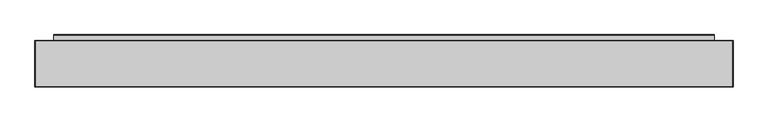
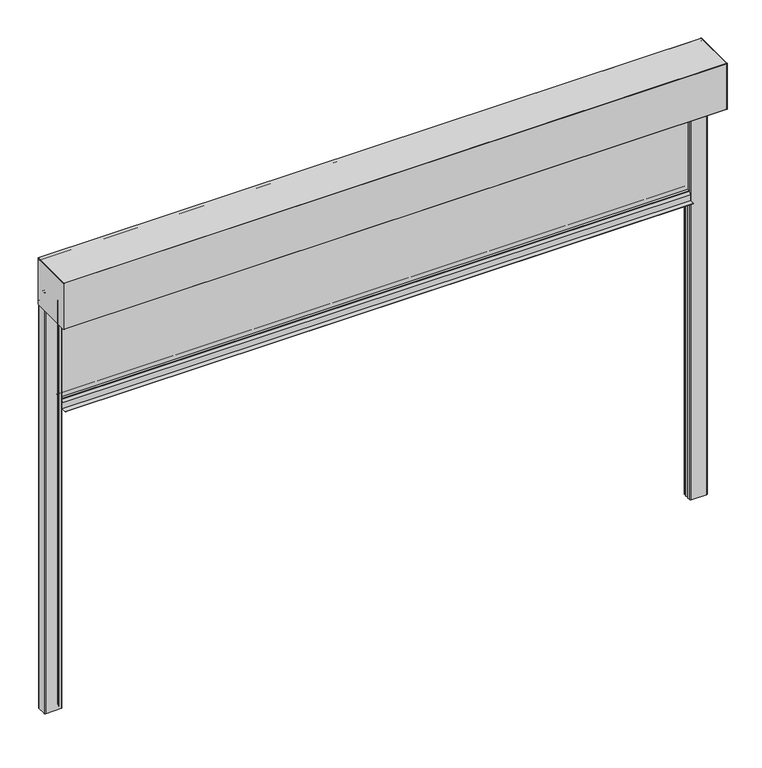
"""IFC4 building model written with IfcOpenShell, lengths in millimetres: alarm geometry."""

from ifc_helpers import new_model, si_unit, point, frame, frame_2d, origin, place, context, project, spatial, polyline, circle_curve, trimmed, segment, composite_curve, outline, extrude, source, transform, mapped, element, save
from ifc_brep_helpers import plane_surface, cylinder_surface, revolved_surface, advanced_brep


def alarm_61e4076c(model_context):
    return source(origin(), model_context, "Body", "SolidModel", [
        extrude(outline(composite_curve([segment(polyline([(32.3130377, -455.0), (67.6869623, -455.0)]), True, "CONTINUOUS"), segment(trimmed(circle_curve(frame_2d((67.6869623, -457.0)), 2.0), [point((67.6869623, -455.0))], [point((69.5220736, -456.2047851))], False, "CARTESIAN"), True, "CONTINUOUS"), segment(polyline([(69.5220736, -456.2047851), (75.5, -470.0), (75.5, -498.0), (98.5, -498.0)]), True, "CONTINUOUS"), segment(trimmed(circle_curve(frame_2d((98.5, -499.0)), 1.0), [point((98.5, -498.0))], [point((98.5, -500.0))], False, "CARTESIAN"), True, "CONTINUOUS"), segment(polyline([(98.5, -500.0), (1.5, -500.0)]), True, "CONTINUOUS"), segment(trimmed(circle_curve(frame_2d((1.5, -499.0)), 1.0), [point((1.5, -500.0))], [point((1.5, -498.0))], False, "CARTESIAN"), True, "CONTINUOUS"), segment(polyline([(1.5, -498.0), (24.5, -498.0), (24.5, -470.0), (30.4779264, -456.2047851)]), True, "CONTINUOUS"), segment(trimmed(circle_curve(frame_2d((32.3130377, -457.0)), 2.0), [point((30.4779264, -456.2047851))], [point((32.3130377, -455.0))], False, "CARTESIAN"), True, "CONTINUOUS")], self_intersect=False)), frame((-1420.0, 0.0, 0.0), z_axis=(1.0, 0.0, 0.0), x_axis=(0.0, 1.0, 0.0)), (0.0, 0.0, 1.0), 2840.0),
        extrude(outline(polyline([(1420.0, 42.5), (-1420.0, 42.5), (-1420.0, 57.5), (1420.0, 57.5), (1420.0, 42.5)])), frame((0.0, 0.0, -455.0), z_axis=(0.0, 0.0, 1.0), x_axis=(1.0, 0.0, 0.0)), (0.0, 0.0, 1.0), 465.0),
        extrude(outline(composite_curve([segment(polyline([(-125.0, 1.0), (-125.0, 219.0)]), True, "CONTINUOUS"), segment(trimmed(circle_curve(frame_2d((-124.0, 219.0)), 1.0), [point((-125.0, 219.0))], [point((-124.0, 220.0))], False, "CARTESIAN"), True, "CONTINUOUS"), segment(polyline([(-124.0, 220.0), (74.0, 220.0)]), True, "CONTINUOUS"), segment(trimmed(circle_curve(frame_2d((74.0, 219.0)), 1.0), [point((74.0, 220.0))], [point((75.0, 219.0))], False, "CARTESIAN"), True, "CONTINUOUS"), segment(polyline([(75.0, 219.0), (75.0, 1.5)]), True, "CONTINUOUS"), segment(trimmed(circle_curve(frame_2d((73.5, 1.5)), 1.5), [point((75.0, 1.5))], [point((73.5, 0.0))], False, "CARTESIAN"), True, "CONTINUOUS"), segment(polyline([(73.5, 0.0), (-124.0, 0.0)]), True, "CONTINUOUS"), segment(trimmed(circle_curve(frame_2d((-124.0, 1.0)), 1.0), [point((-124.0, 0.0))], [point((-125.0, 1.0))], False, "CARTESIAN"), True, "CONTINUOUS")], self_intersect=False)), frame((1500.0, 0.0, 0.0), z_axis=(1.0, 0.0, 0.0), x_axis=(0.0, 1.0, 0.0)), (0.0, 0.0, 1.0), 1.0),
        extrude(outline(composite_curve([segment(polyline([(-125.0, 1.0), (-125.0, 219.0)]), True, "CONTINUOUS"), segment(trimmed(circle_curve(frame_2d((-124.0, 219.0)), 1.0), [point((-125.0, 219.0))], [point((-124.0, 220.0))], False, "CARTESIAN"), True, "CONTINUOUS"), segment(polyline([(-124.0, 220.0), (74.0, 220.0)]), True, "CONTINUOUS"), segment(trimmed(circle_curve(frame_2d((74.0, 219.0)), 1.0), [point((74.0, 220.0))], [point((75.0, 219.0))], False, "CARTESIAN"), True, "CONTINUOUS"), segment(polyline([(75.0, 219.0), (75.0, 1.5)]), True, "CONTINUOUS"), segment(trimmed(circle_curve(frame_2d((73.5, 1.5)), 1.5), [point((75.0, 1.5))], [point((73.5, 0.0))], False, "CARTESIAN"), True, "CONTINUOUS"), segment(polyline([(73.5, 0.0), (-124.0, 0.0)]), True, "CONTINUOUS"), segment(trimmed(circle_curve(frame_2d((-124.0, 1.0)), 1.0), [point((-124.0, 0.0))], [point((-125.0, 1.0))], False, "CARTESIAN"), True, "CONTINUOUS")], self_intersect=False)), frame((-1501.0, 0.0, 0.0), z_axis=(1.0, 0.0, 0.0), x_axis=(0.0, 1.0, 0.0)), (0.0, 0.0, 1.0), 1.0),
        extrude(outline(composite_curve([segment(polyline([(1420.0, 30.0), (1420.0, 41.5)]), True, "CONTINUOUS"), segment(trimmed(circle_curve(frame_2d((1424.0, 41.5)), 4.0), [point((1420.0, 41.5))], [point((1427.7587705, 42.8680806))], False, "CARTESIAN"), True, "CONTINUOUS"), segment(polyline([(1427.7587705, 42.8680806), (1429.313694, 34.049671), (1427.3440785, 33.7023747), (1425.8248093, 42.3185788)]), True, "CONTINUOUS"), segment(trimmed(circle_curve(frame_2d((1424.0, 41.5)), 2.0), [point((1425.8248093, 42.3185788))], [point((1422.0, 41.5))], True, "CARTESIAN"), True, "CONTINUOUS"), segment(polyline([(1422.0, 41.5), (1422.0, 30.0)]), True, "CONTINUOUS"), segment(trimmed(circle_curve(frame_2d((1425.0, 30.0)), 3.0), [point((1422.0, 30.0))], [point((1425.0, 27.0))], True, "CARTESIAN"), True, "CONTINUOUS"), segment(polyline([(1425.0, 27.0), (1495.0, 27.0)]), True, "CONTINUOUS"), segment(trimmed(circle_curve(frame_2d((1495.0, 30.0)), 3.0), [point((1495.0, 27.0))], [point((1498.0, 30.0))], True, "CARTESIAN"), True, "CONTINUOUS"), segment(polyline([(1498.0, 30.0), (1498.0, 70.0)]), True, "CONTINUOUS"), segment(trimmed(circle_curve(frame_2d((1495.0, 70.0)), 3.0), [point((1498.0, 70.0))], [point((1495.0, 73.0))], True, "CARTESIAN"), True, "CONTINUOUS"), segment(polyline([(1495.0, 73.0), (1425.0, 73.0)]), True, "CONTINUOUS"), segment(trimmed(circle_curve(frame_2d((1425.0, 70.0)), 3.0), [point((1425.0, 73.0))], [point((1422.0, 70.0))], True, "CARTESIAN"), True, "CONTINUOUS"), segment(polyline([(1422.0, 70.0), (1422.0, 58.5)]), True, "CONTINUOUS"), segment(trimmed(circle_curve(frame_2d((1424.0, 58.5)), 2.0), [point((1422.0, 58.5))], [point((1425.8248093, 57.6814212))], True, "CARTESIAN"), True, "CONTINUOUS"), segment(polyline([(1425.8248093, 57.6814212), (1427.3440785, 66.2976253), (1429.313694, 65.950329), (1427.7587705, 57.1319194)]), True, "CONTINUOUS"), segment(trimmed(circle_curve(frame_2d((1424.0, 58.5)), 4.0), [point((1427.7587705, 57.1319194))], [point((1420.0, 58.5))], False, "CARTESIAN"), True, "CONTINUOUS"), segment(polyline([(1420.0, 58.5), (1420.0, 70.0)]), True, "CONTINUOUS"), segment(trimmed(circle_curve(frame_2d((1425.0, 70.0)), 5.0), [point((1420.0, 70.0))], [point((1425.0, 75.0))], False, "CARTESIAN"), True, "CONTINUOUS"), segment(polyline([(1425.0, 75.0), (1495.0, 75.0)]), True, "CONTINUOUS"), segment(trimmed(circle_curve(frame_2d((1495.0, 70.0)), 5.0), [point((1495.0, 75.0))], [point((1500.0, 70.0))], False, "CARTESIAN"), True, "CONTINUOUS"), segment(polyline([(1500.0, 70.0), (1500.0, 30.0)]), True, "CONTINUOUS"), segment(trimmed(circle_curve(frame_2d((1495.0, 30.0)), 5.0), [point((1500.0, 30.0))], [point((1495.0, 25.0))], False, "CARTESIAN"), True, "CONTINUOUS"), segment(polyline([(1495.0, 25.0), (1425.0, 25.0)]), True, "CONTINUOUS"), segment(trimmed(circle_curve(frame_2d((1425.0, 30.0)), 5.0), [point((1425.0, 25.0))], [point((1420.0, 30.0))], False, "CARTESIAN"), True, "CONTINUOUS")], self_intersect=False)), frame((0.0, 0.0, -1930.0), z_axis=(0.0, 0.0, 1.0), x_axis=(1.0, 0.0, 0.0)), (0.0, 0.0, 1.0), 1930.0),
        extrude(outline(composite_curve([segment(trimmed(circle_curve(frame_2d((-1425.0, 30.0)), 5.0), [point((-1420.0, 30.0))], [point((-1425.0, 25.0))], False, "CARTESIAN"), True, "CONTINUOUS"), segment(polyline([(-1425.0, 25.0), (-1495.0, 25.0)]), True, "CONTINUOUS"), segment(trimmed(circle_curve(frame_2d((-1495.0, 30.0)), 5.0), [point((-1495.0, 25.0))], [point((-1500.0, 30.0))], False, "CARTESIAN"), True, "CONTINUOUS"), segment(polyline([(-1500.0, 30.0), (-1500.0, 70.0)]), True, "CONTINUOUS"), segment(trimmed(circle_curve(frame_2d((-1495.0, 70.0)), 5.0), [point((-1500.0, 70.0))], [point((-1495.0, 75.0))], False, "CARTESIAN"), True, "CONTINUOUS"), segment(polyline([(-1495.0, 75.0), (-1425.0, 75.0)]), True, "CONTINUOUS"), segment(trimmed(circle_curve(frame_2d((-1425.0, 70.0)), 5.0), [point((-1425.0, 75.0))], [point((-1420.0, 70.0))], False, "CARTESIAN"), True, "CONTINUOUS"), segment(polyline([(-1420.0, 70.0), (-1420.0, 58.5)]), True, "CONTINUOUS"), segment(trimmed(circle_curve(frame_2d((-1424.0, 58.5)), 4.0), [point((-1420.0, 58.5))], [point((-1427.7587705, 57.1319194))], False, "CARTESIAN"), True, "CONTINUOUS"), segment(polyline([(-1427.7587705, 57.1319194), (-1429.313694, 65.950329), (-1427.3440785, 66.2976253), (-1425.8248093, 57.6814212)]), True, "CONTINUOUS"), segment(trimmed(circle_curve(frame_2d((-1424.0, 58.5)), 2.0), [point((-1425.8248093, 57.6814212))], [point((-1422.0, 58.5))], True, "CARTESIAN"), True, "CONTINUOUS"), segment(polyline([(-1422.0, 58.5), (-1422.0, 70.0)]), True, "CONTINUOUS"), segment(trimmed(circle_curve(frame_2d((-1425.0, 70.0)), 3.0), [point((-1422.0, 70.0))], [point((-1425.0, 73.0))], True, "CARTESIAN"), True, "CONTINUOUS"), segment(polyline([(-1425.0, 73.0), (-1495.0, 73.0)]), True, "CONTINUOUS"), segment(trimmed(circle_curve(frame_2d((-1495.0, 70.0)), 3.0), [point((-1495.0, 73.0))], [point((-1498.0, 70.0))], True, "CARTESIAN"), True, "CONTINUOUS"), segment(polyline([(-1498.0, 70.0), (-1498.0, 30.0)]), True, "CONTINUOUS"), segment(trimmed(circle_curve(frame_2d((-1495.0, 30.0)), 3.0), [point((-1498.0, 30.0))], [point((-1495.0, 27.0))], True, "CARTESIAN"), True, "CONTINUOUS"), segment(polyline([(-1495.0, 27.0), (-1425.0, 27.0)]), True, "CONTINUOUS"), segment(trimmed(circle_curve(frame_2d((-1425.0, 30.0)), 3.0), [point((-1425.0, 27.0))], [point((-1422.0, 30.0))], True, "CARTESIAN"), True, "CONTINUOUS"), segment(polyline([(-1422.0, 30.0), (-1422.0, 41.5)]), True, "CONTINUOUS"), segment(trimmed(circle_curve(frame_2d((-1424.0, 41.5)), 2.0), [point((-1422.0, 41.5))], [point((-1425.8248093, 42.3185788))], True, "CARTESIAN"), True, "CONTINUOUS"), segment(polyline([(-1425.8248093, 42.3185788), (-1427.3440785, 33.7023747), (-1429.313694, 34.049671), (-1427.7587705, 42.8680806)]), True, "CONTINUOUS"), segment(trimmed(circle_curve(frame_2d((-1424.0, 41.5)), 4.0), [point((-1427.7587705, 42.8680806))], [point((-1420.0, 41.5))], False, "CARTESIAN"), True, "CONTINUOUS"), segment(polyline([(-1420.0, 41.5), (-1420.0, 30.0)]), True, "CONTINUOUS")], self_intersect=False)), frame((0.0, 0.0, -1930.0), z_axis=(0.0, 0.0, 1.0), x_axis=(1.0, 0.0, 0.0)), (0.0, 0.0, 1.0), 1930.0),
        advanced_brep(
        [(1500.0, 74.0, 220.0), (1500.0, -124.0, 220.0), (1500.0, -125.0, 219.0), (1500.0, -125.0, 1.0), (1500.0, -124.0, 0.0), (1500.0, 2.5525627, 0.0), (1500.0, 3.5525627, 1.0), (1500.0, 3.5525627, 25.0), (1500.0, 40.2346421, 81.9173889), (1500.0, 38.5535205, 85.0008329), (1500.0, 27.0535205, 85.0007974), (1500.0, 27.1842634, 82.0065058), (1500.0, 33.6652134, 82.5735356), (1500.0, 33.5780546, 83.56973), (1500.0, 27.0971045, 83.0027002), (1500.0, 27.0535236, 84.0007974), (1500.0, 38.5575262, 84.0008329), (1500.0, 39.6503781, 82.8567866), (1500.0, 2.5525627, 25.2943249), (1500.0, 2.5525627, 4.9975685), (1500.0, -118.4990953, 4.9975685), (1500.0, -118.4990953, 210.0001942), (1500.0, -114.4991113, 214.0001783), (1500.0, 64.4999422, 214.0001783), (1500.0, 68.5003406, 209.9997799), (1500.0, 68.5003406, 32.9978598), (1500.0, 71.0003714, 32.9978598), (1500.0, 71.0003714, 19.9978095), (1500.0, 74.0003573, 19.9978095), (1500.0, 74.0003573, 1.3255837), (1500.0, 73.0249422, 1.1710911), (1500.0, 63.1362847, 31.6048165), (1500.0, 62.1852498, 31.2958032), (1500.0, 72.0225757, 1.0199506), (1500.0, 75.0, 1.5), (1500.0, 75.0, 219.0), (-1500.0, 74.0, 220.0), (-1500.0, 75.0, 219.0), (-1500.0, 75.0, 1.5), (-1500.0, 72.0734167, 1.03647), (-1500.0, 62.1852498, 31.2958032), (-1500.0, 63.1362847, 31.6048165), (-1500.0, 73.0249422, 1.1710911), (-1500.0, 74.0003573, 1.3255837), (-1500.0, 74.0003573, 19.9978095), (-1500.0, 71.0003714, 19.9978095), (-1500.0, 71.0003714, 32.9978598), (-1500.0, 68.5003406, 32.9978598), (-1500.0, 68.5003406, 209.9997799), (-1500.0, 64.4999422, 214.0001783), (-1500.0, -114.4991113, 214.0001783), (-1500.0, -118.4990953, 210.0001942), (-1500.0, -118.4990953, 4.9975685), (-1500.0, 2.5525627, 4.9975685), (-1500.0, 2.5525627, 25.2943249), (-1500.0, 39.6503781, 82.8567866), (-1500.0, 38.5575262, 84.0008329), (-1500.0, 27.0535236, 84.0007974), (-1500.0, 27.0971045, 83.0027002), (-1500.0, 33.5780546, 83.56973), (-1500.0, 33.6652134, 82.5735356), (-1500.0, 27.1842634, 82.0065058), (-1500.0, 27.0535205, 85.0007974), (-1500.0, 38.5535205, 85.0008329), (-1500.0, 40.2346421, 81.9173889), (-1500.0, 3.5525627, 25.0), (-1500.0, 3.5525627, 1.0), (-1500.0, 2.5525627, 0.0), (-1500.0, -124.0, 0.0), (-1500.0, -125.0, 1.0), (-1500.0, -125.0, 219.0), (-1500.0, -124.0, 220.0)],
        [
            (0, 1),
            (1, 2, circle_curve(frame((1500.0, -124.0, 219.0), z_axis=(1.0, 0.0, 0.0), x_axis=(0.0, 1.0, 0.0)), 1.0)),
            (2, 3),
            (3, 4, circle_curve(frame((1500.0, -124.0, 1.0), z_axis=(1.0, 0.0, 0.0), x_axis=(0.0, 1.0, 0.0)), 1.0)),
            (4, 5),
            (5, 6, circle_curve(frame((1500.0, 2.5525627, 1.0), z_axis=(1.0, 0.0, 0.0), x_axis=(0.0, 1.0, 0.0)), 1.0)),
            (6, 7),
            (7, 8),
            (8, 9, circle_curve(frame((1500.0, 38.5535267, 83.0008329), z_axis=(1.0, 0.0, 0.0), x_axis=(0.0, 1.0, 0.0)), 2.0)),
            (9, 10),
            (10, 11, circle_curve(frame((1500.0, 27.0535251, 83.5007974), z_axis=(1.0, 0.0, 0.0), x_axis=(0.0, 1.0, 0.0)), 1.5)),
            (11, 12),
            (12, 13),
            (13, 14),
            (14, 15, circle_curve(frame((1500.0, 27.0535251, 83.5007974), z_axis=(-1.0, 0.0, 0.0), x_axis=(0.0, 1.0, 0.0)), 0.5)),
            (15, 16),
            (16, 17, circle_curve(frame((1500.0, 38.5575296, 82.9068388), z_axis=(-1.0, 0.0, 0.0), x_axis=(0.0, 1.0, 0.0)), 1.0939941)),
            (17, 18),
            (18, 19),
            (19, 20),
            (20, 21),
            (21, 22, circle_curve(frame((1500.0, -114.4991113, 210.0001942), z_axis=(-1.0, 0.0, 0.0), x_axis=(0.0, 1.0, 0.0)), 3.9999841)),
            (22, 23),
            (23, 24, circle_curve(frame((1500.0, 64.4999422, 209.9997799), z_axis=(-1.0, 0.0, 0.0), x_axis=(0.0, 1.0, 0.0)), 4.0003984)),
            (24, 25),
            (25, 26),
            (26, 27),
            (27, 28),
            (28, 29),
            (29, 30, circle_curve(frame((1500.0, 73.500415, 1.3255837), z_axis=(-1.0, 0.0, 0.0), x_axis=(0.0, 1.0, 0.0)), 0.4999423)),
            (30, 31),
            (31, 32),
            (32, 33),
            (33, 34, circle_curve(frame((1500.0, 73.5, 1.5), z_axis=(1.0, 0.0, 0.0), x_axis=(0.0, 1.0, 0.0)), 1.5)),
            (34, 35),
            (35, 0, circle_curve(frame((1500.0, 74.0, 219.0), z_axis=(1.0, 0.0, 0.0), x_axis=(0.0, 1.0, 0.0)), 1.0)),
            (36, 37, circle_curve(frame((-1500.0, 74.0, 219.0), z_axis=(-1.0, 0.0, 0.0), x_axis=(0.0, 1.0, 0.0)), 1.0)),
            (37, 38),
            (38, 39, circle_curve(frame((-1500.0, 73.5, 1.5), z_axis=(-1.0, 0.0, 0.0), x_axis=(0.0, 1.0, 0.0)), 1.5)),
            (39, 40),
            (40, 41),
            (41, 42),
            (42, 43, circle_curve(frame((-1500.0, 73.500415, 1.3255837), z_axis=(1.0, 0.0, 0.0), x_axis=(0.0, 1.0, 0.0)), 0.4999423)),
            (43, 44),
            (44, 45),
            (45, 46),
            (46, 47),
            (47, 48),
            (48, 49, circle_curve(frame((-1500.0, 64.4999422, 209.9997799), z_axis=(1.0, 0.0, 0.0), x_axis=(0.0, 1.0, 0.0)), 4.0003984)),
            (49, 50),
            (50, 51, circle_curve(frame((-1500.0, -114.4991113, 210.0001942), z_axis=(1.0, 0.0, 0.0), x_axis=(0.0, 1.0, 0.0)), 3.9999841)),
            (51, 52),
            (52, 53),
            (53, 54),
            (54, 55),
            (55, 56, circle_curve(frame((-1500.0, 38.5575296, 82.9068388), z_axis=(1.0, 0.0, 0.0), x_axis=(0.0, 1.0, 0.0)), 1.0939941)),
            (56, 57),
            (57, 58, circle_curve(frame((-1500.0, 27.0535251, 83.5007974), z_axis=(1.0, 0.0, 0.0), x_axis=(0.0, 1.0, 0.0)), 0.5)),
            (58, 59),
            (59, 60),
            (60, 61),
            (61, 62, circle_curve(frame((-1500.0, 27.0535251, 83.5007974), z_axis=(-1.0, 0.0, 0.0), x_axis=(0.0, 1.0, 0.0)), 1.5)),
            (62, 63),
            (63, 64, circle_curve(frame((-1500.0, 38.5535267, 83.0008329), z_axis=(-1.0, 0.0, 0.0), x_axis=(0.0, 1.0, 0.0)), 2.0)),
            (64, 65),
            (65, 66),
            (66, 67, circle_curve(frame((-1500.0, 2.5525627, 1.0), z_axis=(-1.0, 0.0, 0.0), x_axis=(0.0, 1.0, 0.0)), 1.0)),
            (67, 68),
            (68, 69, circle_curve(frame((-1500.0, -124.0, 1.0), z_axis=(-1.0, 0.0, 0.0), x_axis=(0.0, 1.0, 0.0)), 1.0)),
            (69, 70),
            (70, 71, circle_curve(frame((-1500.0, -124.0, 219.0), z_axis=(-1.0, 0.0, 0.0), x_axis=(0.0, 1.0, 0.0)), 1.0)),
            (71, 36),
            (0, 36),
            (71, 1),
            (70, 2),
            (69, 3),
            (68, 4),
            (67, 5),
            (19, 53),
            (52, 20),
            (51, 21),
            (50, 22),
            (49, 23),
            (48, 24),
            (47, 25),
            (46, 26),
            (45, 27),
            (44, 28),
            (43, 29),
            (42, 30),
            (41, 31),
            (40, 32),
            (39, 33),
            (38, 34),
            (37, 35),
            (66, 6),
            (65, 7),
            (64, 8),
            (63, 9),
            (62, 10),
            (61, 11),
            (60, 12),
            (59, 13),
            (58, 14),
            (57, 15),
            (56, 16),
            (55, 17),
            (54, 18),
        ],
        [
            plane_surface(frame((1500.0, -124.0, 220.0), z_axis=(1.0, 0.0, 0.0), x_axis=(0.0, -1.0, 0.0))),
            plane_surface(frame((-1500.0, -124.0, 220.0), z_axis=(-1.0, 0.0, 0.0), x_axis=(0.0, 1.0, 0.0))),
            plane_surface(frame((1500.0, 74.0, 220.0), z_axis=(0.0, 0.0, 1.0), x_axis=(-1.0, 0.0, 0.0))),
            cylinder_surface(frame((-1500.0, -124.0, 219.0), z_axis=(1.0, 0.0, 0.0), x_axis=(0.0, 1.0, 0.0)), 1.0),
            plane_surface(frame((1500.0, -125.0, 219.0), z_axis=(0.0, -1.0, 0.0), x_axis=(-1.0, 0.0, 0.0))),
            cylinder_surface(frame((-1500.0, -124.0, 1.0), z_axis=(1.0, 0.0, 0.0), x_axis=(0.0, 1.0, 0.0)), 1.0),
            plane_surface(frame((1500.0, -124.0, 0.0), z_axis=(0.0, 0.0, -1.0), x_axis=(-1.0, 0.0, 0.0))),
            plane_surface(frame((1500.0, 2.5525627, 4.9975685), z_axis=(0.0, 0.0, 1.0), x_axis=(-1.0, 0.0, 0.0))),
            plane_surface(frame((1500.0, -118.4990953, 4.9975685), z_axis=(0.0, 1.0, 0.0), x_axis=(-1.0, 0.0, 0.0))),
            revolved_surface(polyline([(-1500.0, -110.49912719999999, 210.0001942), (1500.0, -110.49912719999999, 210.0001942)]), (-1500.0, -114.4991113, 210.0001942), (-1.0, 0.0, 0.0)),
            plane_surface(frame((1500.0, -114.4991113, 214.0001783), z_axis=(0.0, 0.0, -1.0), x_axis=(-1.0, 0.0, 0.0))),
            revolved_surface(polyline([(-1500.0, 68.5003406, 209.9997799), (1500.0, 68.5003406, 209.9997799)]), (-1500.0, 64.4999422, 209.9997799), (-1.0, 0.0, 0.0)),
            plane_surface(frame((1500.0, 68.5003406, 209.9997799), z_axis=(0.0, -1.0, 0.0), x_axis=(-1.0, 0.0, 0.0))),
            plane_surface(frame((1500.0, 68.5003406, 32.9978598), z_axis=(0.0, 0.0, -1.0), x_axis=(-1.0, 0.0, 0.0))),
            plane_surface(frame((1500.0, 71.0003714, 32.9978598), z_axis=(0.0, -1.0, 0.0), x_axis=(-1.0, 0.0, 0.0))),
            plane_surface(frame((1500.0, 71.0003714, 19.9978095), z_axis=(0.0, 0.0, -1.0), x_axis=(-1.0, 0.0, 0.0))),
            plane_surface(frame((1500.0, 74.0003573, 19.9978095), z_axis=(0.0, -1.0, -1.2844647031399892e-12), x_axis=(-1.0, 0.0, 0.0))),
            revolved_surface(polyline([(-1500.0, 74.0003573, 1.3255837), (1500.0, 74.0003573, 1.3255837)]), (-1500.0, 73.500415, 1.3255837), (-1.0, 0.0, 0.0)),
            plane_surface(frame((1500.0, 73.0249422, 1.1710911), z_axis=(0.0, 0.9510552244543146, 0.3090209702239532), x_axis=(-1.0, 0.0, 0.0))),
            plane_surface(frame((1500.0, 63.1362847, 31.6048165), z_axis=(0.0, -0.3090199811024944, 0.9510555458433614), x_axis=(-1.0, 0.0, 0.0))),
            plane_surface(frame((1500.0, 62.1852498, 31.2958032), z_axis=(0.0, -0.9510555458434065, -0.3090199811023557), x_axis=(-1.0, 0.0, 0.0))),
            cylinder_surface(frame((-1500.0, 73.5, 1.5), z_axis=(1.0, 0.0, 0.0), x_axis=(0.0, 1.0, 0.0)), 1.5),
            plane_surface(frame((1500.0, 75.0, 1.5), z_axis=(0.0, 1.0, 0.0), x_axis=(-1.0, 0.0, 0.0))),
            cylinder_surface(frame((-1500.0, 74.0, 219.0), z_axis=(1.0, 0.0, 0.0), x_axis=(0.0, 1.0, 0.0)), 1.0),
            cylinder_surface(frame((-1500.0, 2.5525627, 1.0), z_axis=(1.0, 0.0, 0.0), x_axis=(0.0, 1.0, 0.0)), 1.0),
            plane_surface(frame((1500.0, 3.5525627, 1.0), z_axis=(0.0, 1.0, 0.0), x_axis=(-1.0, 0.0, 0.0))),
            plane_surface(frame((1500.0, 3.5525627, 25.0), z_axis=(0.0, 0.8405576917101389, -0.5417220384172339), x_axis=(-1.0, 0.0, 0.0))),
            cylinder_surface(frame((-1500.0, 38.5535267, 83.0008329), z_axis=(1.0, 0.0, 0.0), x_axis=(0.0, 1.0, 0.0)), 2.0),
            plane_surface(frame((1500.0, 38.5535205, 85.0008329), z_axis=(0.0, -3.0882118477456717e-06, 0.9999999999952316), x_axis=(-1.0, 0.0, 0.0))),
            cylinder_surface(frame((-1500.0, 27.0535251, 83.5007974), z_axis=(1.0, 0.0, 0.0), x_axis=(0.0, 1.0, 0.0)), 1.5),
            plane_surface(frame((1500.0, 27.1842634, 82.0065058), z_axis=(0.0, 0.08715881898961188, -0.9961944289506623), x_axis=(-1.0, 0.0, 0.0))),
            plane_surface(frame((1500.0, 33.6652134, 82.5735356), z_axis=(0.0, 0.9961944289500922, 0.08715881899612789), x_axis=(-1.0, 0.0, 0.0))),
            plane_surface(frame((1500.0, 33.5780546, 83.56973), z_axis=(0.0, -0.08715881900500692, 0.9961944289493153), x_axis=(-1.0, 0.0, 0.0))),
            revolved_surface(polyline([(-1500.0, 27.5535251, 83.5007974), (1500.0, 27.5535251, 83.5007974)]), (-1500.0, 27.0535251, 83.5007974), (-1.0, 0.0, 0.0)),
            plane_surface(frame((1500.0, 27.0535236, 84.0007974), z_axis=(0.0, 3.087215186526125e-06, -0.9999999999952346), x_axis=(-1.0, 0.0, 0.0))),
            revolved_surface(polyline([(-1500.0, 39.651523700000006, 82.9068388), (1500.0, 39.651523700000006, 82.9068388)]), (-1500.0, 38.5575296, 82.9068388), (-1.0, 0.0, 0.0)),
            plane_surface(frame((1500.0, 39.6503781, 82.8567866), z_axis=(0.0, -0.8405576917101341, 0.5417220384172414), x_axis=(-1.0, 0.0, 0.0))),
            plane_surface(frame((1500.0, 2.5525627, 25.2943249), z_axis=(0.0, -1.0, 0.0), x_axis=(-1.0, 0.0, 0.0))),
        ],
        [
            (0, [[1, 2, 3, 4, 5, 6, 7, 8, 9, 10, 11, 12, 13, 14, 15, 16, 17, 18, 19, 20, 21, 22, 23, 24, 25, 26, 27, 28, 29, 30, 31, 32, 33, 34, 35, 36]]),
            (1, [[37, 38, 39, 40, 41, 42, 43, 44, 45, 46, 47, 48, 49, 50, 51, 52, 53, 54, 55, 56, 57, 58, 59, 60, 61, 62, 63, 64, 65, 66, 67, 68, 69, 70, 71, 72]]),
            (2, [[-1, 73, -72, 74]]),
            (3, [[-2, -74, -71, 75]]),
            (4, [[-3, -75, -70, 76]]),
            (5, [[-4, -76, -69, 77]]),
            (6, [[-5, -77, -68, 78]]),
            (7, [[-20, 79, -53, 80]]),
            (8, [[-21, -80, -52, 81]]),
            (9, [[-22, -81, -51, 82]]),
            (10, [[-23, -82, -50, 83]]),
            (11, [[-24, -83, -49, 84]]),
            (12, [[-25, -84, -48, 85]]),
            (13, [[-26, -85, -47, 86]]),
            (14, [[-27, -86, -46, 87]]),
            (15, [[-28, -87, -45, 88]]),
            (16, [[-29, -88, -44, 89]]),
            (17, [[-30, -89, -43, 90]]),
            (18, [[-31, -90, -42, 91]]),
            (19, [[-32, -91, -41, 92]]),
            (20, [[-33, -92, -40, 93]]),
            (21, [[-34, -93, -39, 94]]),
            (22, [[-35, -94, -38, 95]]),
            (23, [[-36, -95, -37, -73]]),
            (24, [[-6, -78, -67, 96]]),
            (25, [[-7, -96, -66, 97]]),
            (26, [[-8, -97, -65, 98]]),
            (27, [[-9, -98, -64, 99]]),
            (28, [[-10, -99, -63, 100]]),
            (29, [[-11, -100, -62, 101]]),
            (30, [[-12, -101, -61, 102]]),
            (31, [[-13, -102, -60, 103]]),
            (32, [[-14, -103, -59, 104]]),
            (33, [[-15, -104, -58, 105]]),
            (34, [[-16, -105, -57, 106]]),
            (35, [[-17, -106, -56, 107]]),
            (36, [[-18, -107, -55, 108]]),
            (37, [[-19, -108, -54, -79]]),
        ],
    ),
    ])


if __name__ == "__main__":
    model = new_model("IFC4")
    model_context = context("Model", 3, world=origin())
    ifc_project = project(units=[si_unit("LENGTHUNIT", "METRE", prefix="MILLI")], contexts=[model_context])
    site = spatial("IfcSite", under=ifc_project)
    building = spatial("IfcBuilding", under=site)
    placement = place(None, origin())
    alarm_shape = alarm_61e4076c(model_context)
    element("IfcAlarm", 1, at=placement, inside=building, context=model_context, shape_type="MappedRepresentation", body=[
        mapped(alarm_shape, transform((0.0, 0.0, 0.0), x_axis=(1.0, 0.0, 0.0), y_axis=(0.0, 1.0, 0.0), z_axis=(0.0, 0.0, 1.0))),
    ])
    save(model, "model.ifc")
